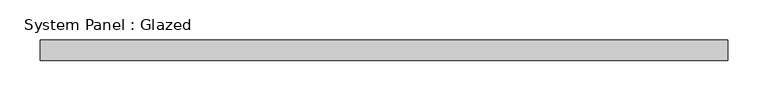
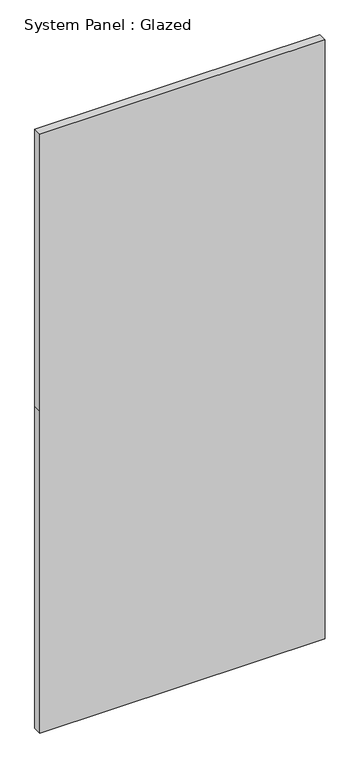
"""IFC4 building model written with IfcOpenShell, lengths in millimetres: plate geometry, System Panel : Glazed."""

import ifcopenshell
import ifcopenshell.guid

model = None  # the IFC model being written
_history = None  # IfcOwnerHistory: only IFC2X3 demands one
_inside = {}  # id of a spatial element -> (the spatial element, [elements in it])
_under = {}  # id of a project, library or spatial element -> (it, [spatial elements below it])
_declared = {}  # id of a project -> (the project, [libraries it declares])
_typed = {}  # id of a type object -> (the type object, [elements of that type])
_made_of = {}  # id of a material, layer set ... -> (it, [elements and type objects made of it])


def new_model(schema):
    """Start an empty IFC model of exactly this schema.

    Asked for "IFC4X3", IfcOpenShell would pick the latest addendum, in which some entities
    have other attributes; the version numbers below select the first issue.
    IFC2X3 requires an IfcOwnerHistory on every rooted entity: one is made here for all.
    """
    global model, _history
    if schema == "IFC4X3":
        model = ifcopenshell.file(schema_version=(4, 3, 0, 0))
    else:
        model = ifcopenshell.file(schema=schema)
    _inside.clear()
    _under.clear()
    _declared.clear()
    _typed.clear()
    _made_of.clear()
    _history = None
    if model.schema == "IFC2X3":
        org = make("IfcOrganization", Name="unknown")
        user = make(
            "IfcPersonAndOrganization",
            ThePerson=make("IfcPerson", FamilyName="unknown"),
            TheOrganization=org,
        )
        app = make(
            "IfcApplication",
            ApplicationDeveloper=org,
            Version="unknown",
            ApplicationFullName="unknown",
            ApplicationIdentifier="unknown",
        )
        _history = make(
            "IfcOwnerHistory",
            OwningUser=user,
            OwningApplication=app,
            ChangeAction="ADDED",
            CreationDate=0,
        )
    return model


def make(cls, **values):
    """One entity of the class cls with the attributes given. An attribute that is None is left unset."""
    return model.create_entity(
        cls, **{name: value for name, value in values.items() if value is not None}
    )


def rooted(cls, **values):
    """An entity with a GlobalId (a new one), such as an element, a storey or a relation."""
    return make(cls, GlobalId=ifcopenshell.guid.new(), OwnerHistory=_history, **values)


def si_unit(unit_type, name, prefix=None):
    """IfcSIUnit, for example si_unit("LENGTHUNIT", "METRE", prefix="MILLI")."""
    return make("IfcSIUnit", UnitType=unit_type, Prefix=prefix, Name=name)


def assignment(units):
    """IfcUnitAssignment: the units of a project."""
    return None if units is None else make("IfcUnitAssignment", Units=units)


def point(xyz):
    """IfcCartesianPoint."""
    return None if xyz is None else make("IfcCartesianPoint", Coordinates=xyz)


def direction(xyz):
    """IfcDirection."""
    return None if xyz is None else make("IfcDirection", DirectionRatios=xyz)


def frame(location, z_axis=None, x_axis=None):
    """IfcAxis2Placement3D, a coordinate frame: its origin and axes. An axis left out is left unset."""
    return make(
        "IfcAxis2Placement3D",
        Location=point(location),
        Axis=direction(z_axis),
        RefDirection=direction(x_axis),
    )


def origin():
    """The frame at (0, 0, 0) with its axes left unset."""
    return frame((0.0, 0.0, 0.0))


def place(relative_to, where):
    """IfcLocalPlacement: puts the frame where relative to a parent placement (None: the world)."""
    return make(
        "IfcLocalPlacement", PlacementRelTo=relative_to, RelativePlacement=where
    )


def context(
    kind, dimensions, precision=None, world=None, true_north=None, identifier=None
):
    """IfcGeometricRepresentationContext, for example the 3D "Model" context."""
    return make(
        "IfcGeometricRepresentationContext",
        ContextIdentifier=identifier,
        ContextType=kind,
        CoordinateSpaceDimension=dimensions,
        Precision=precision,
        WorldCoordinateSystem=world,
        TrueNorth=true_north,
    )


def project(units=None, contexts=None):
    """IfcProject with its units and contexts."""
    return rooted(
        "IfcProject",
        Name="project",
        RepresentationContexts=contexts,
        UnitsInContext=assignment(units),
    )


def spatial(cls, under=None, at=None, **own):
    """A site, building, storey or space (cls), placed at a placement, below another one or the project."""
    s = rooted(cls, ObjectPlacement=at, **own)
    if under is not None:
        _under.setdefault(under.id(), (under, []))[1].append(s)
    return s


def polyline(points):
    """IfcPolyline through the points."""
    return make("IfcPolyline", Points=[point(p) for p in points])


def outline(outer, holes=None, kind="AREA"):
    """IfcArbitraryClosedProfileDef: a profile drawn as a closed curve; with holes, ...WithVoids."""
    if holes is None:
        return make("IfcArbitraryClosedProfileDef", ProfileType=kind, OuterCurve=outer)
    return make(
        "IfcArbitraryProfileDefWithVoids",
        ProfileType=kind,
        OuterCurve=outer,
        InnerCurves=holes,
    )


def extrude(swept, where, along, depth):
    """IfcExtrudedAreaSolid: the profile swept, set in the frame where, extruded along a direction by depth."""
    return make(
        "IfcExtrudedAreaSolid",
        SweptArea=swept,
        Position=where,
        ExtrudedDirection=direction(along),
        Depth=depth,
    )


def shape(context_of_items, identifier, shape_type, items):
    """IfcShapeRepresentation: the items that make up one representation, for example the "Body"."""
    return make(
        "IfcShapeRepresentation",
        ContextOfItems=context_of_items,
        RepresentationIdentifier=identifier,
        RepresentationType=shape_type,
        Items=items,
    )


def source(mapping_origin, context_of_items, identifier, shape_type, items):
    """IfcRepresentationMap: a shape defined once, which mapped items show again and again."""
    return make(
        "IfcRepresentationMap",
        MappingOrigin=mapping_origin,
        MappedRepresentation=shape(context_of_items, identifier, shape_type, items),
    )


def transform(
    local_origin,
    x_axis=None,
    y_axis=None,
    z_axis=None,
    scale=None,
    scale2=None,
    scale3=None,
    uniform=True,
):
    """IfcCartesianTransformationOperator3D, or its non-uniform kind. x_axis, y_axis, z_axis: its Axis1, 2, 3."""
    if uniform:
        return make(
            "IfcCartesianTransformationOperator3D",
            Axis1=direction(x_axis),
            Axis2=direction(y_axis),
            LocalOrigin=point(local_origin),
            Scale=scale,
            Axis3=direction(z_axis),
        )
    return make(
        "IfcCartesianTransformationOperator3DnonUniform",
        Axis1=direction(x_axis),
        Axis2=direction(y_axis),
        LocalOrigin=point(local_origin),
        Scale=scale,
        Axis3=direction(z_axis),
        Scale2=scale2,
        Scale3=scale3,
    )


def mapped(mapping_source, mapping_target):
    """IfcMappedItem: shows the shape of a source again, moved by a transform."""
    return make(
        "IfcMappedItem", MappingSource=mapping_source, MappingTarget=mapping_target
    )


def made_of(thing, what):
    """Note that an element or type object is made of a material, layer set ...; save() writes the relation."""
    if what is not None:
        _made_of.setdefault(what.id(), (what, []))[1].append(thing)
    return thing


def element(
    cls,
    number,
    at=None,
    inside=None,
    cuts=None,
    type_object=None,
    material=None,
    context=None,
    identifier="Body",
    shape_type=None,
    held_by="IfcProductDefinitionShape",
    body=None,
    shapes=None,
    **own,
):
    """One element of the class cls, such as IfcWall. Its Tag is "e" and its number.

    at: its placement. inside: the storey or other place that contains it. cuts: it is an
    opening in that element (IfcRelVoidsElement). A single representation is given by context,
    identifier, shape_type and body (its items); several are given by shapes. held_by: the class
    of the entity that holds the representations. save() writes the other relations.
    """
    e = rooted(cls, Tag="e%d" % number, ObjectPlacement=at, **own)
    if body is not None:
        shapes = [shape(context, identifier, shape_type, body)]
    if shapes is not None:
        e.Representation = make(held_by, Representations=shapes)
    if inside is not None:
        _inside.setdefault(inside.id(), (inside, []))[1].append(e)
    if cuts is not None:
        rooted(
            "IfcRelVoidsElement", RelatingBuildingElement=cuts, RelatedOpeningElement=e
        )
    if type_object is not None:
        _typed.setdefault(type_object.id(), (type_object, []))[1].append(e)
    return made_of(e, material)


def aggregate(whole, parts):
    """IfcRelAggregates: a whole, such as a stair, and the parts it consists of."""
    return rooted("IfcRelAggregates", RelatingObject=whole, RelatedObjects=parts)


def save(model, path):
    """Write the relations noted so far, then the file.

    IfcRelAggregates (storeys below a building ...), IfcRelContainedInSpatialStructure (elements
    in a storey), IfcRelDefinesByType, IfcRelAssociatesMaterial and IfcRelDeclares: one each for
    every whole, place, type object, material and project.
    """
    for whole, parts in _under.values():
        aggregate(whole, parts)
    for where, things in _inside.values():
        rooted(
            "IfcRelContainedInSpatialStructure",
            RelatedElements=things,
            RelatingStructure=where,
        )
    for kind, things in _typed.values():
        rooted("IfcRelDefinesByType", RelatedObjects=things, RelatingType=kind)
    for what, things in _made_of.values():
        rooted("IfcRelAssociatesMaterial", RelatedObjects=things, RelatingMaterial=what)
    for by, libraries in _declared.values():
        rooted("IfcRelDeclares", RelatingContext=by, RelatedDefinitions=libraries)
    model.write(path)


def system_panel_glazed_30717d8c(model_context):
    return source(origin(), model_context, "Body", "SweptSolid", [
        extrude(outline(polyline([(0.0, -425.0), (0.0, 425.0), (1013.3333333, 425.0), (1885.0, 425.0), (1885.0, -425.0), (1013.3333333, -425.0), (0.0, -425.0)])), frame((0.0, 24.5, 0.0), z_axis=(0.0, 1.0, 0.0), x_axis=(0.0, 0.0, 1.0)), (0.0, 0.0, 1.0), 25.0),
    ])


if __name__ == "__main__":
    model = new_model("IFC4")
    model_context = context("Model", 3, world=origin())
    ifc_project = project(units=[si_unit("LENGTHUNIT", "METRE", prefix="MILLI")], contexts=[model_context])
    site = spatial("IfcSite", under=ifc_project)
    building = spatial("IfcBuilding", under=site)
    placement = place(None, origin())
    system_panel_glazed_shape = system_panel_glazed_30717d8c(model_context)
    element("IfcPlate", 1, ObjectType="System Panel : Glazed", at=placement, inside=building, context=model_context, shape_type="MappedRepresentation", body=[
        mapped(system_panel_glazed_shape, transform((0.0, 0.0, 0.0), x_axis=(1.0, 0.0, 0.0), y_axis=(0.0, 1.0, 0.0), z_axis=(0.0, 0.0, 1.0))),
    ])
    save(model, "model.ifc")
